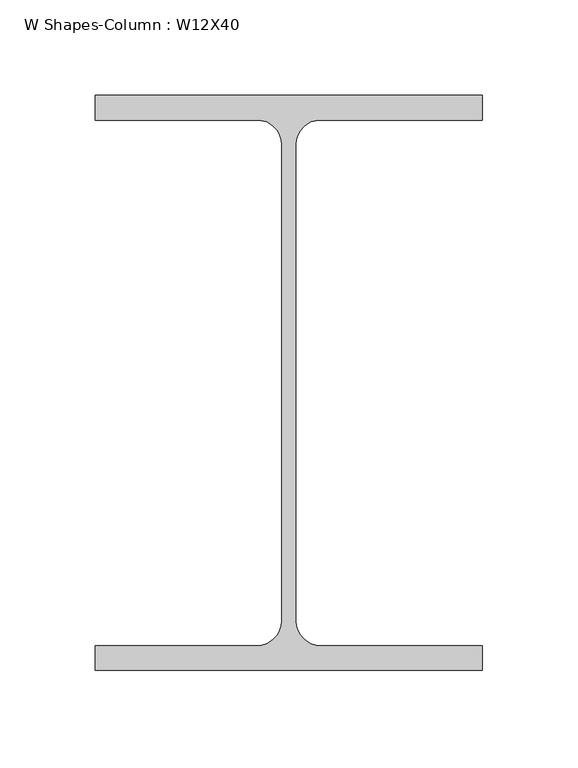
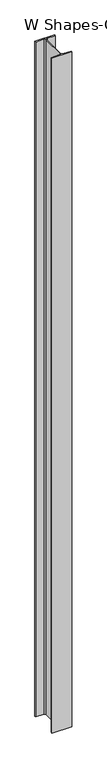
"""IFC4 building model written with IfcOpenShell, lengths in millimetres: column geometry, W Shapes-Column : W12X40."""

from ifc_helpers import new_model, si_unit, point, frame_2d, origin, origin_with_axes, place, context, project, spatial, polyline, circle_curve, trimmed, segment, composite_curve, outline, extrude, source, transform, mapped, element, save


def w_shapes_column_w12x40_c3d6108f(model_context):
    return source(origin(), model_context, "Body", "SweptSolid", [
        extrude(outline(composite_curve([segment(polyline([(101.727, 151.13), (101.727, 138.049), (16.5735, 138.049)]), True, "CONTINUOUS"), segment(trimmed(circle_curve(frame_2d((16.5735, 125.222)), 12.827), [point((16.5735, 138.049))], [point((3.7465, 125.222))], True, "CARTESIAN"), True, "CONTINUOUS"), segment(polyline([(3.7465, 125.222), (3.7465, -125.222)]), True, "CONTINUOUS"), segment(trimmed(circle_curve(frame_2d((16.5735, -125.222)), 12.827), [point((3.7465, -125.222))], [point((16.5735, -138.049))], True, "CARTESIAN"), True, "CONTINUOUS"), segment(polyline([(16.5735, -138.049), (101.727, -138.049), (101.727, -151.13), (-101.727, -151.13), (-101.727, -138.049), (-16.5735, -138.049)]), True, "CONTINUOUS"), segment(trimmed(circle_curve(frame_2d((-16.5735, -125.222)), 12.827), [point((-16.5735, -138.049))], [point((-3.7465, -125.222))], True, "CARTESIAN"), True, "CONTINUOUS"), segment(polyline([(-3.7465, -125.222), (-3.7465, 125.222)]), True, "CONTINUOUS"), segment(trimmed(circle_curve(frame_2d((-16.5735, 125.222)), 12.827), [point((-3.7465, 125.222))], [point((-16.5735, 138.049))], True, "CARTESIAN"), True, "CONTINUOUS"), segment(polyline([(-16.5735, 138.049), (-101.727, 138.049), (-101.727, 151.13), (101.727, 151.13)]), True, "CONTINUOUS")], self_intersect=False)), origin_with_axes(), (0.0, 0.0, 1.0), 7315.2),
    ])


if __name__ == "__main__":
    model = new_model("IFC4")
    model_context = context("Model", 3, world=origin())
    ifc_project = project(units=[si_unit("LENGTHUNIT", "METRE", prefix="MILLI")], contexts=[model_context])
    site = spatial("IfcSite", under=ifc_project)
    building = spatial("IfcBuilding", under=site)
    placement = place(None, origin())
    w_shapes_column_w12x40_shape = w_shapes_column_w12x40_c3d6108f(model_context)
    element("IfcColumn", 1, ObjectType="W Shapes-Column : W12X40", at=placement, inside=building, context=model_context, shape_type="MappedRepresentation", body=[
        mapped(w_shapes_column_w12x40_shape, transform((0.0, 0.0, 0.0), x_axis=(1.0, 0.0, 0.0), y_axis=(0.0, 1.0, 0.0), z_axis=(0.0, 0.0, 1.0))),
    ])
    save(model, "model.ifc")
